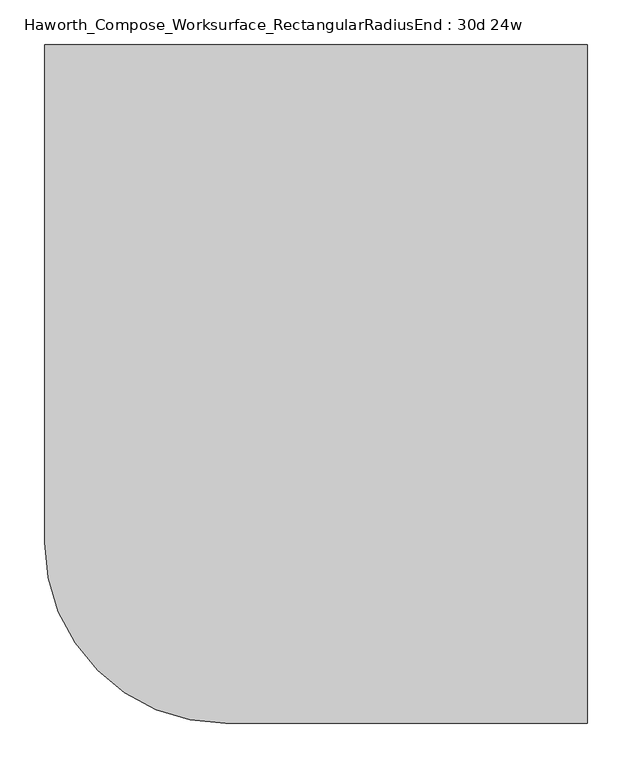
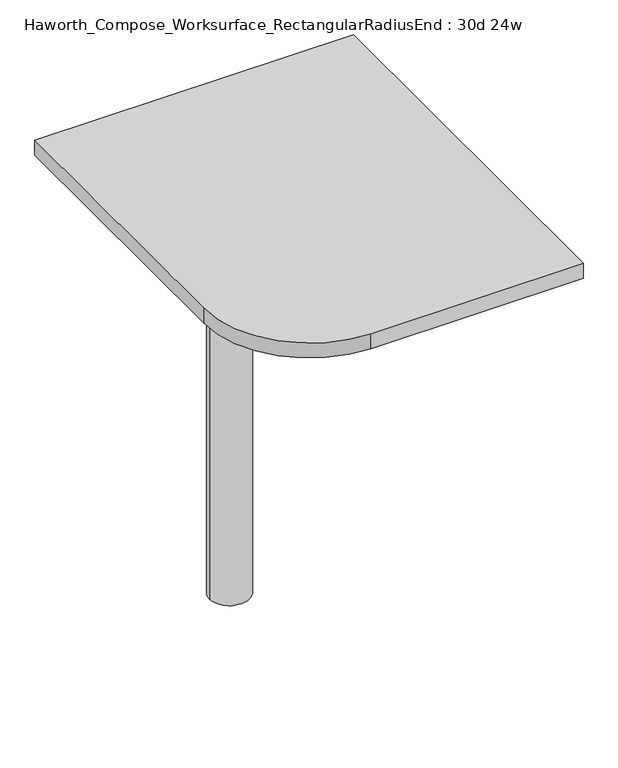
"""IFC4 building model written with IfcOpenShell, lengths in millimetres: furniture geometry, Haworth_Compose_Worksurface_RectangularRadiusEnd : 30d 24w."""

from ifc_helpers import new_model, si_unit, point, frame, frame_2d, origin, place, context, project, spatial, polyline, circle_curve, trimmed, segment, composite_curve, outline, extrude, source, transform, mapped, element, save
from ifc_brep_helpers import plane_surface, cylinder_surface, revolved_surface, advanced_brep


def haworth_compose_worksurface_rectangularradiusend_30d_24w_188e91ce(model_context):
    return source(origin(), model_context, "Body", "SolidModel", [
        advanced_brep(
        [(299.24375, 381.0, 475.45625), (299.24375, 365.125, 475.45625), (299.24375, -25.4, 691.7192568), (299.24375, -25.4, 704.05625), (299.24375, 365.125, 704.05625), (299.24375, 381.0, 704.05625), (299.24375, 297.690072, 665.95625), (299.24375, 254.0355284, 665.95625), (299.24375, 251.3564235, 656.3705539), (299.24375, 343.0776173, 605.5776439), (299.24375, 352.425, 611.1756969), (299.24375, 352.425, 634.6860246), (299.24375, 350.6730055, 637.5242776), (299.24375, 300.7663437, 665.1613425), (301.625, 381.0, 475.45625), (301.625, 381.0, 704.05625), (301.625, 365.125, 704.05625), (301.625, 365.125, 706.4375), (301.625, -25.4, 706.4375), (301.625, -25.4, 691.7192568), (301.625, 365.125, 475.45625), (301.625, 297.690072, 665.95625), (301.625, 300.7663437, 665.1613425), (301.625, 350.6730055, 637.5242776), (301.625, 352.425, 634.6860246), (301.625, 352.425, 611.1756969), (301.625, 343.0776173, 605.5776439), (301.625, 251.3564235, 656.3705539), (301.625, 254.0355284, 665.95625), (260.35, -25.4, 706.4375), (260.35, -25.4, 704.05625), (260.35, 365.125, 704.05625), (260.35, 365.125, 706.4375)],
        [
            (0, 1),
            (1, 2),
            (2, 3),
            (3, 4),
            (4, 5),
            (5, 0),
            (6, 7),
            (7, 8, circle_curve(frame((299.24375, 254.0355284, 660.7890106), z_axis=(1.0, 0.0, 0.0), x_axis=(0.0, -1.0, 0.0)), 5.1672394)),
            (8, 9),
            (9, 10, circle_curve(frame((299.24375, 346.075, 611.1756969), z_axis=(1.0, 0.0, 0.0), x_axis=(0.0, -1.0, 0.0)), 6.35)),
            (10, 11),
            (11, 12, circle_curve(frame((299.24375, 349.25, 634.6860246), z_axis=(1.0, 0.0, 0.0), x_axis=(0.0, -1.0, 0.0)), 3.175)),
            (12, 13),
            (13, 6, circle_curve(frame((299.24375, 297.690072, 659.60625), z_axis=(1.0, 0.0, 0.0), x_axis=(0.0, -1.0, 0.0)), 6.35)),
            (14, 15),
            (15, 16),
            (16, 17),
            (17, 18),
            (18, 19),
            (19, 20),
            (20, 14),
            (21, 22, circle_curve(frame((301.625, 297.690072, 659.60625), z_axis=(-1.0, 0.0, 0.0), x_axis=(0.0, -1.0, 0.0)), 6.35)),
            (22, 23),
            (23, 24, circle_curve(frame((301.625, 349.25, 634.6860246), z_axis=(-1.0, 0.0, 0.0), x_axis=(0.0, -1.0, 0.0)), 3.175)),
            (24, 25),
            (25, 26, circle_curve(frame((301.625, 346.075, 611.1756969), z_axis=(-1.0, 0.0, 0.0), x_axis=(0.0, -1.0, 0.0)), 6.35)),
            (26, 27),
            (27, 28, circle_curve(frame((301.625, 254.0355284, 660.7890106), z_axis=(-1.0, 0.0, 0.0), x_axis=(0.0, -1.0, 0.0)), 5.1672394)),
            (28, 21),
            (4, 16),
            (15, 5),
            (14, 0),
            (20, 1),
            (19, 2),
            (18, 29),
            (29, 30),
            (30, 3),
            (6, 21),
            (28, 7),
            (9, 26),
            (25, 10),
            (24, 11),
            (23, 12),
            (27, 8),
            (31, 4),
            (30, 31),
            (32, 29),
            (17, 32),
            (31, 32),
            (22, 13),
        ],
        [
            plane_surface(frame((299.24375, 381.0, 475.45625), z_axis=(-1.0, 0.0, 0.0), x_axis=(0.0, 1.0, 0.0))),
            plane_surface(frame((301.625, 381.0, 475.45625), z_axis=(1.0, 0.0, 0.0), x_axis=(0.0, -1.0, 0.0))),
            plane_surface(frame((301.625, -25.4, 704.05625), z_axis=(0.0, 0.0, 1.0), x_axis=(-1.0, 0.0, 0.0))),
            plane_surface(frame((301.625, 381.0, 704.05625), z_axis=(0.0, 1.0, 0.0), x_axis=(-1.0, 0.0, 0.0))),
            plane_surface(frame((301.625, 381.0, 475.45625), z_axis=(0.0, 0.0, -1.0), x_axis=(-1.0, 0.0, 0.0))),
            plane_surface(frame((301.625, 365.125, 475.45625), z_axis=(0.0, -0.48445223513455843, -0.8748177135112952), x_axis=(-1.0, 0.0, 0.0))),
            plane_surface(frame((301.625, -25.4, 691.7192568), z_axis=(0.0, -1.0, 0.0), x_axis=(-1.0, 0.0, 0.0))),
            plane_surface(frame((301.625, 297.690072, 665.95625), z_axis=(0.0, 0.0, -1.0), x_axis=(-1.0, 0.0, 0.0))),
            revolved_surface(polyline([(299.24375, 339.72499999999997, 611.1756969), (301.625, 339.72499999999997, 611.1756969)]), (301.625, 346.075, 611.1756969), (-1.0, 0.0, 0.0)),
            plane_surface(frame((301.625, 352.425, 611.1756969), z_axis=(0.0, -1.0, 0.0), x_axis=(-1.0, 0.0, 0.0))),
            revolved_surface(polyline([(299.24375, 346.075, 634.6860246), (301.625, 346.075, 634.6860246)]), (301.625, 349.25, 634.6860246), (-1.0, 0.0, 0.0)),
            revolved_surface(polyline([(299.24375, 248.868289, 660.7890106), (301.625, 248.868289, 660.7890106)]), (301.625, 254.0355284, 660.7890106), (-1.0, 0.0, 0.0)),
            plane_surface(frame((301.625, 365.125, 704.05625), z_axis=(0.0, 0.0, -1.0), x_axis=(-1.0, 0.0, 0.0))),
            plane_surface(frame((301.625, 365.125, 706.4375), z_axis=(0.0, 0.0, 1.0), x_axis=(1.0, 0.0, 0.0))),
            plane_surface(frame((260.35, 365.125, 706.4375), z_axis=(0.0, 1.0, 0.0), x_axis=(0.0, 0.0, -1.0))),
            plane_surface(frame((260.35, -25.4, 706.4375), z_axis=(-1.0, 0.0, 0.0), x_axis=(0.0, 0.0, -1.0))),
            plane_surface(frame((301.625, 251.3564235, 656.3705539), z_axis=(0.0, 0.4844522351345583, 0.8748177135112953), x_axis=(-1.0, 0.0, 0.0))),
            plane_surface(frame((301.625, 350.6730055, 637.5242776), z_axis=(0.0, -0.4844522351345582, -0.8748177135112953), x_axis=(-1.0, 0.0, 0.0))),
            revolved_surface(polyline([(299.24375, 291.34007199999996, 659.60625), (301.625, 291.34007199999996, 659.60625)]), (301.625, 297.690072, 659.60625), (-1.0, 0.0, 0.0)),
        ],
        [
            (0, [[1, 2, 3, 4, 5, 6], [7, 8, 9, 10, 11, 12, 13, 14]]),
            (1, [[15, 16, 17, 18, 19, 20, 21], [22, 23, 24, 25, 26, 27, 28, 29]]),
            (2, [[-5, 30, -16, 31]]),
            (3, [[-31, -15, 32, -6]]),
            (4, [[-32, -21, 33, -1]]),
            (5, [[-33, -20, 34, -2]]),
            (6, [[-34, -19, 35, 36, 37, -3]]),
            (7, [[38, -29, 39, -7]]),
            (8, [[40, -26, 41, -10]]),
            (9, [[-41, -25, 42, -11]]),
            (10, [[-42, -24, 43, -12]]),
            (11, [[-39, -28, 44, -8]]),
            (12, [[45, -4, -37, 46]]),
            (13, [[47, -35, -18, 48]]),
            (14, [[-17, -30, -45, 49, -48]]),
            (15, [[-36, -47, -49, -46]]),
            (16, [[-44, -27, -40, -9]]),
            (17, [[-43, -23, 50, -13]]),
            (18, [[-50, -22, -38, -14]]),
        ],
    ),
        advanced_brep(
        [(-114.3, 0.0, 706.4375), (-190.5, 0.0, 706.4375), (-152.4, 0.0, 706.4375), (-114.3, 0.0, 0.0), (-190.5, 0.0, 0.0), (-152.4, 0.0, 0.0)],
        [
            (0, 1, circle_curve(frame((-152.4, 0.0, 706.4375), z_axis=(0.0, 0.0, 1.0), x_axis=(-1.0, 0.0, 0.0)), 38.1)),
            (1, 2),
            (2, 0),
            (1, 0, circle_curve(frame((-152.4, 0.0, 706.4375), z_axis=(0.0, 0.0, 1.0), x_axis=(-1.0, 0.0, 0.0)), 38.1)),
            (3, 4, circle_curve(frame((-152.4, 0.0, 0.0), z_axis=(0.0, 0.0, 1.0), x_axis=(-1.0, 0.0, 0.0)), 38.1)),
            (4, 1),
            (0, 3),
            (4, 3, circle_curve(frame((-152.4, 0.0, 0.0), z_axis=(0.0, 0.0, 1.0), x_axis=(-1.0, 0.0, 0.0)), 38.1)),
            (5, 4),
            (3, 5),
        ],
        [
            plane_surface(frame((-152.4, 0.0, 706.4375), z_axis=(0.0, 0.0, 1.0), x_axis=(-1.0, 0.0, 0.0))),
            cylinder_surface(frame((-152.4, 0.0, 889.623257), z_axis=(0.0, 0.0, -1.0), x_axis=(-1.0, 0.0, 0.0)), 38.1),
            plane_surface(frame((-152.4, 0.0, 0.0), z_axis=(0.0, 0.0, -1.0), x_axis=(-1.0, 0.0, 0.0))),
        ],
        [
            (0, [[1, 2, 3]]),
            (0, [[4, -3, -2]]),
            (1, [[5, 6, -1, 7]]),
            (1, [[8, -7, -4, -6]]),
            (2, [[9, -5, 10]]),
            (2, [[-10, -8, -9]]),
        ],
    ),
        extrude(outline(composite_curve([segment(polyline([(304.8, 381.0), (304.8, -381.0), (-101.6, -381.0)]), True, "CONTINUOUS"), segment(trimmed(circle_curve(frame_2d((-101.6, -177.8)), 203.2), [point((-101.6, -381.0))], [point((-304.8, -177.8))], False, "CARTESIAN"), True, "CONTINUOUS"), segment(polyline([(-304.8, -177.8), (-304.8, 381.0), (304.8, 381.0)]), True, "CONTINUOUS")], self_intersect=False)), frame((0.0, 0.0, 706.4375), z_axis=(0.0, 0.0, 1.0), x_axis=(1.0, 0.0, 0.0)), (0.0, 0.0, 1.0), 30.1625),
    ])


if __name__ == "__main__":
    model = new_model("IFC4")
    model_context = context("Model", 3, world=origin())
    ifc_project = project(units=[si_unit("LENGTHUNIT", "METRE", prefix="MILLI")], contexts=[model_context])
    site = spatial("IfcSite", under=ifc_project)
    building = spatial("IfcBuilding", under=site)
    placement = place(None, origin())
    haworth_compose_worksurface_rectangularradiusend_30d_24w_shape = haworth_compose_worksurface_rectangularradiusend_30d_24w_188e91ce(model_context)
    element("IfcFurniture", 1, ObjectType="Haworth_Compose_Worksurface_RectangularRadiusEnd : 30d 24w", at=placement, inside=building, context=model_context, shape_type="MappedRepresentation", body=[
        mapped(haworth_compose_worksurface_rectangularradiusend_30d_24w_shape, transform((0.0, 0.0, 0.0), x_axis=(1.0, 0.0, 0.0), y_axis=(0.0, 1.0, 0.0), z_axis=(0.0, 0.0, 1.0))),
    ])
    save(model, "model.ifc")
